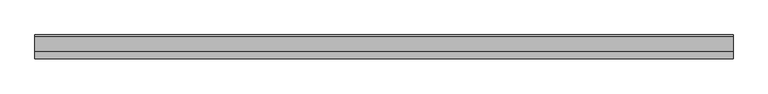
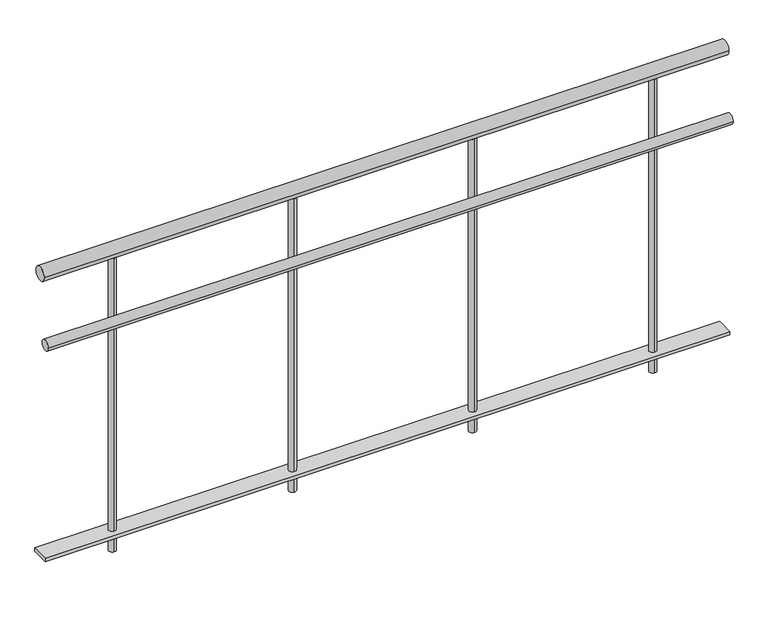
"""IFC4 building model written with IfcOpenShell, lengths in millimetres: railing geometry."""

from ifc_helpers import new_model, si_unit, point, frame, frame_2d, origin, origin_with_axes, place, context, project, spatial, polyline, circle_curve, trimmed, segment, composite_curve, outline, extrude, source, transform, mapped, element, save


def railing_29d69847(model_context):
    return source(origin(), model_context, "Body", "SweptSolid", [
        extrude(outline(composite_curve([segment(trimmed(circle_curve(frame_2d((-6664.6478389, 880.0)), 20.0), [point((-6644.6478389, 880.0))], [point((-6684.6478389, 880.0))], False, "CARTESIAN"), True, "CONTINUOUS"), segment(trimmed(circle_curve(frame_2d((-6664.6478389, 880.0)), 20.0), [point((-6684.6478389, 880.0))], [point((-6644.6478389, 880.0))], False, "CARTESIAN"), True, "CONTINUOUS")], self_intersect=False)), frame((-1076.5757135, 0.0, 0.0), z_axis=(1.0, 0.0, 0.0), x_axis=(0.0, 1.0, 0.0)), (0.0, 0.0, 1.0), 1900.0),
        extrude(outline(composite_curve([segment(trimmed(circle_curve(frame_2d((-6689.6478389, 685.0)), 15.0), [point((-6674.6478389, 685.0))], [point((-6704.6478389, 685.0))], False, "CARTESIAN"), True, "CONTINUOUS"), segment(trimmed(circle_curve(frame_2d((-6689.6478389, 685.0)), 15.0), [point((-6704.6478389, 685.0))], [point((-6674.6478389, 685.0))], False, "CARTESIAN"), True, "CONTINUOUS")], self_intersect=False)), frame((-1076.5757135, 0.0, 0.0), z_axis=(1.0, 0.0, 0.0), x_axis=(0.0, 1.0, 0.0)), (0.0, 0.0, 1.0), 1900.0),
        extrude(outline(polyline([(-1076.5757135, -6689.6478389), (-1076.5757135, -6639.6478389), (823.4242865, -6639.6478389), (823.4242865, -6689.6478389), (-1076.5757135, -6689.6478389)])), frame((0.0, 0.0, 50.0), z_axis=(0.0, 0.0, 1.0), x_axis=(1.0, 0.0, 0.0)), (0.0, 0.0, 1.0), 10.0),
        extrude(outline(composite_curve([segment(trimmed(circle_curve(frame_2d((623.4242865, -6664.6478389)), 10.0), [point((623.4242865, -6654.6478389))], [point((623.4242865, -6674.6478389))], False, "CARTESIAN"), True, "CONTINUOUS"), segment(trimmed(circle_curve(frame_2d((623.4242865, -6664.6478389)), 10.0), [point((623.4242865, -6674.6478389))], [point((623.4242865, -6654.6478389))], False, "CARTESIAN"), True, "CONTINUOUS")], self_intersect=False)), origin_with_axes(), (0.0, 0.0, 1.0), 860.0),
        extrude(outline(composite_curve([segment(trimmed(circle_curve(frame_2d((123.4242865, -6664.6478389)), 10.0), [point((123.4242865, -6654.6478389))], [point((123.4242865, -6674.6478389))], False, "CARTESIAN"), True, "CONTINUOUS"), segment(trimmed(circle_curve(frame_2d((123.4242865, -6664.6478389)), 10.0), [point((123.4242865, -6674.6478389))], [point((123.4242865, -6654.6478389))], False, "CARTESIAN"), True, "CONTINUOUS")], self_intersect=False)), origin_with_axes(), (0.0, 0.0, 1.0), 860.0),
        extrude(outline(composite_curve([segment(trimmed(circle_curve(frame_2d((-376.5757135, -6664.6478389)), 10.0), [point((-376.5757135, -6654.6478389))], [point((-376.5757135, -6674.6478389))], False, "CARTESIAN"), True, "CONTINUOUS"), segment(trimmed(circle_curve(frame_2d((-376.5757135, -6664.6478389)), 10.0), [point((-376.5757135, -6674.6478389))], [point((-376.5757135, -6654.6478389))], False, "CARTESIAN"), True, "CONTINUOUS")], self_intersect=False)), origin_with_axes(), (0.0, 0.0, 1.0), 860.0),
        extrude(outline(composite_curve([segment(trimmed(circle_curve(frame_2d((-876.5757135, -6664.6478389)), 10.0), [point((-876.5757135, -6654.6478389))], [point((-876.5757135, -6674.6478389))], False, "CARTESIAN"), True, "CONTINUOUS"), segment(trimmed(circle_curve(frame_2d((-876.5757135, -6664.6478389)), 10.0), [point((-876.5757135, -6674.6478389))], [point((-876.5757135, -6654.6478389))], False, "CARTESIAN"), True, "CONTINUOUS")], self_intersect=False)), origin_with_axes(), (0.0, 0.0, 1.0), 860.0),
    ])


if __name__ == "__main__":
    model = new_model("IFC4")
    model_context = context("Model", 3, world=origin())
    ifc_project = project(units=[si_unit("LENGTHUNIT", "METRE", prefix="MILLI")], contexts=[model_context])
    site = spatial("IfcSite", under=ifc_project)
    building = spatial("IfcBuilding", under=site)
    placement = place(None, origin())
    railing_shape = railing_29d69847(model_context)
    element("IfcRailing", 1, at=placement, inside=building, context=model_context, shape_type="MappedRepresentation", body=[
        mapped(railing_shape, transform((0.0, 0.0, 0.0), x_axis=(1.0, 0.0, 0.0), y_axis=(0.0, 1.0, 0.0), z_axis=(0.0, 0.0, 1.0))),
    ])
    save(model, "model.ifc")
